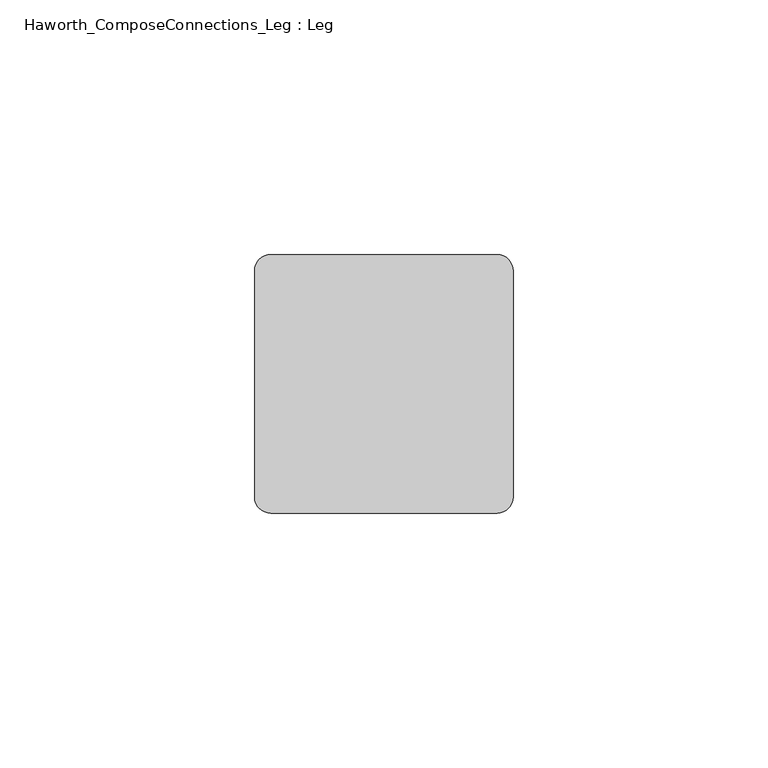
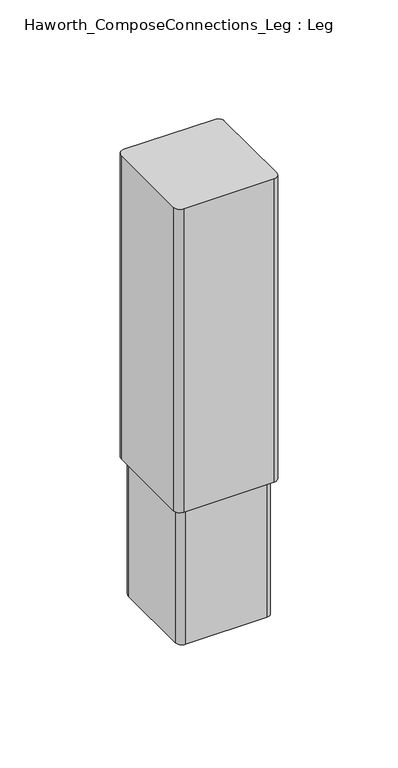
"""IFC4 building model written with IfcOpenShell, lengths in millimetres: furniture geometry, Haworth_ComposeConnections_Leg : Leg."""

from ifc_helpers import new_model, si_unit, point, frame, frame_2d, origin, place, context, project, spatial, polyline, circle_curve, trimmed, segment, composite_curve, outline, extrude, source, transform, mapped, element, save


def haworth_composeconnections_leg_leg_c535c5f3(model_context):
    return source(origin(), model_context, "Body", "SweptSolid", [
        extrude(outline(composite_curve([segment(polyline([(161.9249992, -47.3534841), (206.3749962, -47.3534841)]), True, "CONTINUOUS"), segment(trimmed(circle_curve(frame_2d((206.3749962, -50.5284841)), 3.175), [point((206.3749962, -47.3534841))], [point((209.5499962, -50.5284841))], False, "CARTESIAN"), True, "CONTINUOUS"), segment(polyline([(209.5499962, -50.5284841), (209.5499962, -94.9784822)]), True, "CONTINUOUS"), segment(trimmed(circle_curve(frame_2d((206.3749962, -94.9784822)), 3.175), [point((209.5499962, -94.9784822))], [point((206.3749962, -98.1534822))], False, "CARTESIAN"), True, "CONTINUOUS"), segment(polyline([(206.3749962, -98.1534822), (161.9249992, -98.1534822)]), True, "CONTINUOUS"), segment(trimmed(circle_curve(frame_2d((161.9249992, -94.9784822)), 3.175), [point((161.9249992, -98.1534822))], [point((158.7499992, -94.9784822))], False, "CARTESIAN"), True, "CONTINUOUS"), segment(polyline([(158.7499992, -94.9784822), (158.7499992, -50.5284841)]), True, "CONTINUOUS"), segment(trimmed(circle_curve(frame_2d((161.9249992, -50.5284841)), 3.175), [point((158.7499992, -50.5284841))], [point((161.9249992, -47.3534841))], False, "CARTESIAN"), True, "CONTINUOUS")], self_intersect=False)), frame((0.0, 0.0, 77.215999), z_axis=(0.0, 0.0, 1.0), x_axis=(1.0, 0.0, 0.0)), (0.0, 0.0, 1.0), 157.734001),
        extrude(outline(composite_curve([segment(polyline([(164.2109971, -49.6394819), (204.0889984, -49.6394819)]), True, "CONTINUOUS"), segment(trimmed(circle_curve(frame_2d((204.0889984, -52.8144819)), 3.175), [point((204.0889984, -49.6394819))], [point((207.2639984, -52.8144819))], False, "CARTESIAN"), True, "CONTINUOUS"), segment(polyline([(207.2639984, -52.8144819), (207.2639984, -92.6924821)]), True, "CONTINUOUS"), segment(trimmed(circle_curve(frame_2d((204.0889984, -92.6924821)), 3.175), [point((207.2639984, -92.6924821))], [point((204.0889984, -95.8674821))], False, "CARTESIAN"), True, "CONTINUOUS"), segment(polyline([(204.0889984, -95.8674821), (164.2109971, -95.8674821)]), True, "CONTINUOUS"), segment(trimmed(circle_curve(frame_2d((164.2109971, -92.6924821)), 3.175), [point((164.2109971, -95.8674821))], [point((161.0359971, -92.6924821))], False, "CARTESIAN"), True, "CONTINUOUS"), segment(polyline([(161.0359971, -92.6924821), (161.0359971, -52.8144819)]), True, "CONTINUOUS"), segment(trimmed(circle_curve(frame_2d((164.2109971, -52.8144819)), 3.175), [point((161.0359971, -52.8144819))], [point((164.2109971, -49.6394819))], False, "CARTESIAN"), True, "CONTINUOUS")], self_intersect=False)), frame((0.0, 0.0, 6.35), z_axis=(0.0, 0.0, 1.0), x_axis=(1.0, 0.0, 0.0)), (0.0, 0.0, 1.0), 153.415999),
    ])


if __name__ == "__main__":
    model = new_model("IFC4")
    model_context = context("Model", 3, world=origin())
    ifc_project = project(units=[si_unit("LENGTHUNIT", "METRE", prefix="MILLI")], contexts=[model_context])
    site = spatial("IfcSite", under=ifc_project)
    building = spatial("IfcBuilding", under=site)
    placement = place(None, origin())
    haworth_composeconnections_leg_leg_shape = haworth_composeconnections_leg_leg_c535c5f3(model_context)
    element("IfcFurniture", 1, ObjectType="Haworth_ComposeConnections_Leg : Leg", at=placement, inside=building, context=model_context, shape_type="MappedRepresentation", body=[
        mapped(haworth_composeconnections_leg_leg_shape, transform((0.0, 0.0, 0.0), x_axis=(1.0, 0.0, 0.0), y_axis=(0.0, 1.0, 0.0), z_axis=(0.0, 0.0, 1.0))),
    ])
    save(model, "model.ifc")
